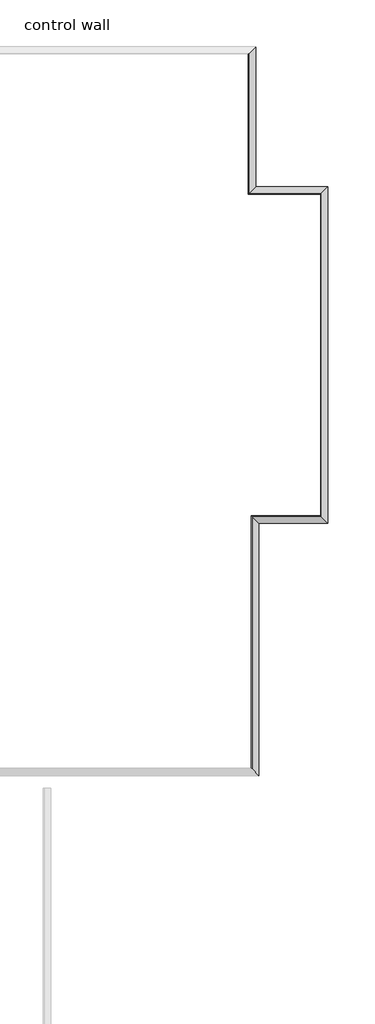
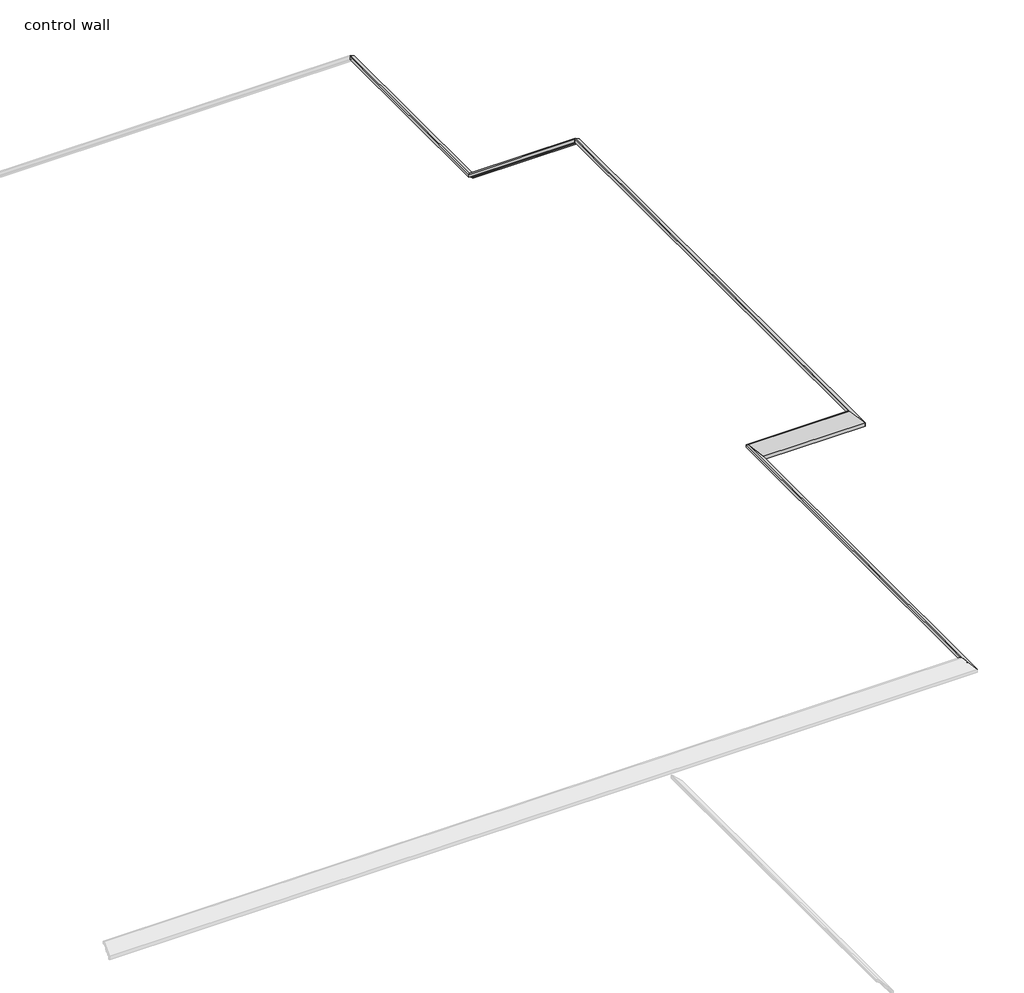
# One storey, part 2 of 2: 5 proxies.
"""IFC4 building model written with IfcOpenShell, lengths in millimetres."""

from ifc_helpers import new_model, si_unit, frame, origin, place, context, project, spatial, polyline, ellipse_curve, element, save
from ifc_brep_helpers import plane_surface, cylinder_surface, revolved_surface, advanced_brep

model = new_model("IFC4")

# Units and contexts
model_context = context("Model", 3, world=origin())
ifc_project = project(units=[si_unit("LENGTHUNIT", "METRE", prefix="MILLI")], contexts=[model_context])

# Site, building, storey
site = spatial("IfcSite", under=ifc_project)
building = spatial("IfcBuilding", under=site)
storey = spatial("IfcBuildingStorey", under=building, Name="control wall", Elevation=2133.6)

# Proxies
placement = place(None, origin())
element("IfcBuildingElementProxy", 1, Name="Wall Sweeps", at=placement, inside=storey, context=model_context, shape_type="AdvancedBrep", body=[
    advanced_brep(
    [(34053.8440304, -15988.7322865, 2982.9793892), (33988.8234196, -16053.7528973, 3048.0), (33980.7207216, -16061.8555953, 3048.0), (33980.7207216, -16061.8555953, 3028.95), (33990.3440304, -16052.2322865, 3028.95), (34010.8687103, -16031.7076066, 3008.4253202), (34031.3933901, -16011.1829268, 2987.9006403), (34031.3933901, -16011.1829268, 2981.5506403), (34044.8637743, -15997.7125426, 2968.0802561), (34044.8637743, -15997.7125426, 2959.1), (34053.8440304, -15988.7322865, 2959.1), (33339.4690304, -15988.7322865, 2982.9793892), (33339.4690304, -15988.7322865, 2959.1), (33330.4887743, -15997.7125426, 2959.1), (33330.4887743, -15997.7125426, 2968.0802561), (33317.0183901, -16011.1829268, 2981.5506403), (33317.0183901, -16011.1829268, 2987.9006403), (33296.4937103, -16031.7076066, 3008.4253202), (33275.9690304, -16052.2322865, 3028.95), (33266.3457216, -16061.8555953, 3028.95), (33266.3457216, -16061.8555953, 3048.0), (33274.4484196, -16053.7528973, 3048.0)],
    [
        (0, 1),
        (1, 2),
        (2, 3),
        (3, 4),
        (4, 5, ellipse_curve(frame((33990.3440304, -16052.2322865, 3008.4253202), z_axis=(-0.707106781186544, 0.7071067811865511, 0.0), x_axis=(-0.707106781186551, -0.707106781186544, 0.0)), 29.0262806, 20.5246798)),
        (5, 6, ellipse_curve(frame((34031.3933901, -16011.1829268, 3008.4253202), z_axis=(0.707106781186544, -0.7071067811865511, 0.0), x_axis=(0.707106781186551, 0.707106781186544, 0.0)), 29.0262806, 20.5246798)),
        (6, 7),
        (7, 8, ellipse_curve(frame((34031.3933901, -16011.1829268, 2968.0802561), z_axis=(-0.707106781186544, 0.7071067811865511, 0.0), x_axis=(-0.707106781186551, -0.707106781186544, 0.0)), 19.05, 13.4703842)),
        (8, 9),
        (9, 10),
        (10, 0),
        (11, 12),
        (12, 13),
        (13, 14),
        (14, 15, ellipse_curve(frame((33317.0183901, -16011.1829268, 2968.0802561), z_axis=(0.707106781186544, -0.7071067811865511, 0.0), x_axis=(-0.707106781186551, -0.707106781186544, 0.0)), 19.05, 13.4703842)),
        (15, 16),
        (16, 17, ellipse_curve(frame((33317.0183901, -16011.1829268, 3008.4253202), z_axis=(-0.707106781186544, 0.7071067811865511, 0.0), x_axis=(0.707106781186551, 0.707106781186544, 0.0)), 29.0262806, 20.5246798)),
        (17, 18, ellipse_curve(frame((33275.9690304, -16052.2322865, 3008.4253202), z_axis=(0.707106781186544, -0.7071067811865511, 0.0), x_axis=(-0.707106781186551, -0.707106781186544, 0.0)), 29.0262806, 20.5246798)),
        (18, 19),
        (19, 20),
        (20, 21),
        (21, 11),
        (0, 11),
        (21, 1),
        (20, 2),
        (19, 3),
        (18, 4),
        (17, 5),
        (16, 6),
        (15, 7),
        (14, 8),
        (13, 9),
        (12, 10),
    ],
    [
        plane_surface(frame((34053.8440304, -15988.7322865, 2654.3), z_axis=(0.707106781186544, -0.7071067811865511, 0.0), x_axis=(-0.7071067811865511, -0.707106781186544, 0.0))),
        plane_surface(frame((33339.4690304, -15988.7322865, 3263.9), z_axis=(-0.707106781186544, 0.7071067811865511, 0.0), x_axis=(0.7071067811865511, 0.707106781186544, 0.0))),
        plane_surface(frame((34053.8440304, -15988.7322865, 2982.9793892), z_axis=(0.0, 0.707106781186547, 0.707106781186548), x_axis=(-1.0, 0.0, 0.0))),
        plane_surface(frame((33988.8234196, -16053.7528973, 3048.0), z_axis=(0.0, 0.0, 1.0), x_axis=(-1.0, 0.0, 0.0))),
        plane_surface(frame((33980.7207216, -16061.8555953, 3048.0), z_axis=(0.0, -1.0, 0.0), x_axis=(-1.0, 0.0, 0.0))),
        plane_surface(frame((33980.7207216, -16061.8555953, 3028.95), z_axis=(0.0, 0.0, -1.0), x_axis=(-1.0, 0.0, 0.0))),
        revolved_surface(polyline([(33255.44435055512, -16072.756966300001, 3008.4253202), (34010.8687103, -16072.756966300001, 3008.4253202)]), (34053.8440304, -16052.2322865, 3008.4253202), (-1.0, 0.0, 0.0)),
        cylinder_surface(frame((34053.8440304, -16011.1829268, 3008.4253202), z_axis=(1.0, 0.0, 0.0), x_axis=(0.0, -1.0, 0.0)), 20.5246798),
        plane_surface(frame((34031.3933901, -16011.1829268, 2987.9006403), z_axis=(0.0, -1.0, 0.0), x_axis=(-1.0, 0.0, 0.0))),
        revolved_surface(polyline([(33303.5480059184, -16024.653311, 2968.0802561), (34044.8637743, -16024.653311, 2968.0802561)]), (34053.8440304, -16011.1829268, 2968.0802561), (-1.0, 0.0, 0.0)),
        plane_surface(frame((34044.8637743, -15997.7125426, 2968.0802561), z_axis=(0.0, -1.0, 0.0), x_axis=(-1.0, 0.0, 0.0))),
        plane_surface(frame((34044.8637743, -15997.7125426, 2959.1), z_axis=(0.0, 0.0, -1.0), x_axis=(-1.0, 0.0, 0.0))),
        plane_surface(frame((34053.8440304, -15988.7322865, 2959.1), z_axis=(0.0, 1.0, 0.0), x_axis=(-1.0, 0.0, 0.0))),
    ],
    [
        (0, [[1, 2, 3, 4, 5, 6, 7, 8, 9, 10, 11]]),
        (1, [[12, 13, 14, 15, 16, 17, 18, 19, 20, 21, 22]]),
        (2, [[-1, 23, -22, 24]]),
        (3, [[-2, -24, -21, 25]]),
        (4, [[-3, -25, -20, 26]]),
        (5, [[-4, -26, -19, 27]]),
        (6, [[-5, -27, -18, 28]]),
        (7, [[-6, -28, -17, 29]]),
        (8, [[-7, -29, -16, 30]]),
        (9, [[-8, -30, -15, 31]]),
        (10, [[-9, -31, -14, 32]]),
        (11, [[-10, -32, -13, 33]]),
        (12, [[-11, -33, -12, -23]]),
    ],
),
])
element("IfcBuildingElementProxy", 2, Name="Wall Sweeps", at=placement, inside=storey, context=model_context, shape_type="AdvancedBrep", body=[
    advanced_brep(
    [(33339.4690304, -15988.7322865, 2982.9793892), (33274.4484196, -16053.7528973, 3048.0), (33266.3457216, -16061.8555953, 3048.0), (33266.3457216, -16061.8555953, 3028.95), (33275.9690304, -16052.2322865, 3028.95), (33296.4937103, -16031.7076066, 3008.4253202), (33317.0183901, -16011.1829268, 2987.9006403), (33317.0183901, -16011.1829268, 2981.5506403), (33330.4887743, -15997.7125426, 2968.0802561), (33330.4887743, -15997.7125426, 2959.1), (33339.4690304, -15988.7322865, 2959.1), (33339.4690304, -14600.4635365, 2982.9793892), (33339.4690304, -14600.4635365, 2959.1), (33330.4887743, -14609.4437926, 2959.1), (33330.4887743, -14609.4437926, 2968.0802561), (33317.0183901, -14622.9141768, 2981.5506403), (33317.0183901, -14622.9141768, 2987.9006403), (33296.4937103, -14643.4388566, 3008.4253202), (33275.9690304, -14663.9635365, 3028.95), (33266.3457216, -14673.5868453, 3028.95), (33266.3457216, -14673.5868453, 3048.0), (33274.4484196, -14665.4841473, 3048.0)],
    [
        (0, 1),
        (1, 2),
        (2, 3),
        (3, 4),
        (4, 5, ellipse_curve(frame((33275.9690304, -16052.2322865, 3008.4253202), z_axis=(-0.707106781186544, 0.7071067811865511, 0.0), x_axis=(0.7071067811865511, 0.7071067811865439, 0.0)), 29.0262806, 20.5246798)),
        (5, 6, ellipse_curve(frame((33317.0183901, -16011.1829268, 3008.4253202), z_axis=(0.707106781186544, -0.7071067811865511, 0.0), x_axis=(-0.7071067811865511, -0.7071067811865439, 0.0)), 29.0262806, 20.5246798)),
        (6, 7),
        (7, 8, ellipse_curve(frame((33317.0183901, -16011.1829268, 2968.0802561), z_axis=(-0.707106781186544, 0.7071067811865511, 0.0), x_axis=(0.7071067811865511, 0.7071067811865439, 0.0)), 19.05, 13.4703842)),
        (8, 9),
        (9, 10),
        (10, 0),
        (11, 12),
        (12, 13),
        (13, 14),
        (14, 15, ellipse_curve(frame((33317.0183901, -14622.9141768, 2968.0802561), z_axis=(0.707106781186544, -0.7071067811865511, 0.0), x_axis=(0.7071067811865511, 0.7071067811865439, 0.0)), 19.05, 13.4703842)),
        (15, 16),
        (16, 17, ellipse_curve(frame((33317.0183901, -14622.9141768, 3008.4253202), z_axis=(-0.707106781186544, 0.7071067811865511, 0.0), x_axis=(-0.7071067811865511, -0.7071067811865439, 0.0)), 29.0262806, 20.5246798)),
        (17, 18, ellipse_curve(frame((33275.9690304, -14663.9635365, 3008.4253202), z_axis=(0.707106781186544, -0.7071067811865511, 0.0), x_axis=(0.7071067811865511, 0.7071067811865439, 0.0)), 29.0262806, 20.5246798)),
        (18, 19),
        (19, 20),
        (20, 21),
        (21, 11),
        (0, 11),
        (21, 1),
        (20, 2),
        (19, 3),
        (18, 4),
        (17, 5),
        (16, 6),
        (15, 7),
        (14, 8),
        (13, 9),
        (12, 10),
    ],
    [
        plane_surface(frame((33339.4690304, -15988.7322865, 3263.9), z_axis=(0.707106781186544, -0.7071067811865511, 0.0), x_axis=(0.7071067811865511, 0.707106781186544, 0.0))),
        plane_surface(frame((33339.4690304, -14600.4635365, 2654.3), z_axis=(-0.707106781186544, 0.7071067811865511, 0.0), x_axis=(-0.7071067811865511, -0.707106781186544, 0.0))),
        plane_surface(frame((33339.4690304, -15988.7322865, 2982.9793892), z_axis=(0.707106781186547, 0.0, 0.707106781186548), x_axis=(0.0, 1.0, 0.0))),
        plane_surface(frame((33274.4484196, -16053.7528973, 3048.0), z_axis=(0.0, 0.0, 1.0), x_axis=(0.0, 1.0, 0.0))),
        plane_surface(frame((33266.3457216, -16061.8555953, 3048.0), z_axis=(-1.0, 0.0, 0.0), x_axis=(0.0, 1.0, 0.0))),
        plane_surface(frame((33266.3457216, -16061.8555953, 3028.95), z_axis=(0.0, 0.0, -1.0), x_axis=(0.0, 1.0, 0.0))),
        revolved_surface(polyline([(33255.4443506, -14643.4388566, 3008.4253202), (33255.4443506, -16072.756966344885, 3008.4253202)]), (33275.9690304, -15988.7322865, 3008.4253202), (0.0, 1.0, 0.0)),
        cylinder_surface(frame((33317.0183901, -15988.7322865, 3008.4253202), z_axis=(0.0, -1.0, 0.0), x_axis=(-1.0, 0.0, 0.0)), 20.5246798),
        plane_surface(frame((33317.0183901, -16011.1829268, 2987.9006403), z_axis=(-1.0, 0.0, 0.0), x_axis=(0.0, 1.0, 0.0))),
        revolved_surface(polyline([(33303.5480059, -14609.4437926, 2968.0802561), (33303.5480059, -16024.653310981605, 2968.0802561)]), (33317.0183901, -15988.7322865, 2968.0802561), (0.0, 1.0, 0.0)),
        plane_surface(frame((33330.4887743, -15997.7125426, 2968.0802561), z_axis=(-1.0, 0.0, 0.0), x_axis=(0.0, 1.0, 0.0))),
        plane_surface(frame((33330.4887743, -15997.7125426, 2959.1), z_axis=(0.0, 0.0, -1.0), x_axis=(0.0, 1.0, 0.0))),
        plane_surface(frame((33339.4690304, -15988.7322865, 2959.1), z_axis=(1.0, 0.0, 0.0), x_axis=(0.0, 1.0, 0.0))),
    ],
    [
        (0, [[1, 2, 3, 4, 5, 6, 7, 8, 9, 10, 11]]),
        (1, [[12, 13, 14, 15, 16, 17, 18, 19, 20, 21, 22]]),
        (2, [[-1, 23, -22, 24]]),
        (3, [[-2, -24, -21, 25]]),
        (4, [[-3, -25, -20, 26]]),
        (5, [[-4, -26, -19, 27]]),
        (6, [[-5, -27, -18, 28]]),
        (7, [[-6, -28, -17, 29]]),
        (8, [[-7, -29, -16, 30]]),
        (9, [[-8, -30, -15, 31]]),
        (10, [[-9, -31, -14, 32]]),
        (11, [[-10, -32, -13, 33]]),
        (12, [[-11, -33, -12, -23]]),
    ],
),
])
element("IfcBuildingElementProxy", 3, Name="Wall Sweeps", at=placement, inside=storey, context=model_context, shape_type="AdvancedBrep", body=[
    advanced_brep(
    [(34053.8440304, -19322.4822865, 2982.9793892), (33988.8234196, -19257.4616756, 3048.0), (33980.7207216, -19249.3589777, 3048.0), (33980.7207216, -19249.3589777, 3028.95), (33990.3440304, -19258.9822865, 3028.95), (34010.8687103, -19279.5069663, 3008.4253202), (34031.3933901, -19300.0316461, 2987.9006403), (34031.3933901, -19300.0316461, 2981.5506403), (34044.8637743, -19313.5020303, 2968.0802561), (34044.8637743, -19313.5020303, 2959.1), (34053.8440304, -19322.4822865, 2959.1), (34053.8440304, -15988.7322865, 2982.9793892), (34053.8440304, -15988.7322865, 2959.1), (34044.8637743, -15997.7125426, 2959.1), (34044.8637743, -15997.7125426, 2968.0802561), (34031.3933901, -16011.1829268, 2981.5506403), (34031.3933901, -16011.1829268, 2987.9006403), (34010.8687103, -16031.7076066, 3008.4253202), (33990.3440304, -16052.2322865, 3028.95), (33980.7207216, -16061.8555953, 3028.95), (33980.7207216, -16061.8555953, 3048.0), (33988.8234196, -16053.7528973, 3048.0)],
    [
        (0, 1),
        (1, 2),
        (2, 3),
        (3, 4),
        (4, 5, ellipse_curve(frame((33990.3440304, -19258.9822865, 3008.4253202), z_axis=(0.7071067811865547, 0.7071067811865405, 0.0), x_axis=(-0.7071067811865406, 0.7071067811865546, 0.0)), 29.0262806, 20.5246798)),
        (5, 6, ellipse_curve(frame((34031.3933901, -19300.0316461, 3008.4253202), z_axis=(-0.7071067811865547, -0.7071067811865405, 0.0), x_axis=(0.7071067811865406, -0.7071067811865546, 0.0)), 29.0262806, 20.5246798)),
        (6, 7),
        (7, 8, ellipse_curve(frame((34031.3933901, -19300.0316461, 2968.0802561), z_axis=(0.7071067811865547, 0.7071067811865405, 0.0), x_axis=(-0.7071067811865406, 0.7071067811865546, 0.0)), 19.05, 13.4703842)),
        (8, 9),
        (9, 10),
        (10, 0),
        (11, 12),
        (12, 13),
        (13, 14),
        (14, 15, ellipse_curve(frame((34031.3933901, -16011.1829268, 2968.0802561), z_axis=(0.707106781186544, -0.7071067811865511, 0.0), x_axis=(0.7071067811865511, 0.7071067811865438, 0.0)), 19.05, 13.4703842)),
        (15, 16),
        (16, 17, ellipse_curve(frame((34031.3933901, -16011.1829268, 3008.4253202), z_axis=(-0.707106781186544, 0.7071067811865511, 0.0), x_axis=(-0.7071067811865511, -0.7071067811865438, 0.0)), 29.0262806, 20.5246798)),
        (17, 18, ellipse_curve(frame((33990.3440304, -16052.2322865, 3008.4253202), z_axis=(0.707106781186544, -0.7071067811865511, 0.0), x_axis=(0.7071067811865511, 0.7071067811865438, 0.0)), 29.0262806, 20.5246798)),
        (18, 19),
        (19, 20),
        (20, 21),
        (21, 11),
        (0, 11),
        (21, 1),
        (20, 2),
        (19, 3),
        (18, 4),
        (17, 5),
        (16, 6),
        (15, 7),
        (14, 8),
        (13, 9),
        (12, 10),
    ],
    [
        plane_surface(frame((34053.8440304, -19322.4822865, 2654.3), z_axis=(-0.7071067811865547, -0.7071067811865405, 0.0), x_axis=(-0.7071067811865405, 0.7071067811865547, 0.0))),
        plane_surface(frame((34053.8440304, -15988.7322865, 2654.3), z_axis=(-0.707106781186544, 0.7071067811865511, 0.0), x_axis=(-0.7071067811865511, -0.707106781186544, 0.0))),
        plane_surface(frame((34053.8440304, -19322.4822865, 2982.9793892), z_axis=(0.707106781186547, 0.0, 0.707106781186548), x_axis=(0.0, 1.0, 0.0))),
        plane_surface(frame((33988.8234196, -19257.4616756, 3048.0), z_axis=(0.0, 0.0, 1.0), x_axis=(0.0, 1.0, 0.0))),
        plane_surface(frame((33980.7207216, -19249.3589777, 3048.0), z_axis=(-1.0, 0.0, 0.0), x_axis=(0.0, 1.0, 0.0))),
        plane_surface(frame((33980.7207216, -19249.3589777, 3028.95), z_axis=(0.0, 0.0, -1.0), x_axis=(0.0, 1.0, 0.0))),
        revolved_surface(polyline([(33969.8193506, -16031.7076066, 3008.4253202), (33969.8193506, -19279.50696634488, 3008.4253202)]), (33990.3440304, -19322.4822865, 3008.4253202), (0.0, 1.0, 0.0)),
        cylinder_surface(frame((34031.3933901, -19322.4822865, 3008.4253202), z_axis=(0.0, -1.0, 0.0), x_axis=(-1.0, 0.0, 0.0)), 20.5246798),
        plane_surface(frame((34031.3933901, -19300.0316461, 2987.9006403), z_axis=(-1.0, 0.0, 0.0), x_axis=(0.0, 1.0, 0.0))),
        revolved_surface(polyline([(34017.9230059, -15997.7125426, 2968.0802561), (34017.9230059, -19313.5020303, 2968.0802561)]), (34031.3933901, -19322.4822865, 2968.0802561), (0.0, 1.0, 0.0)),
        plane_surface(frame((34044.8637743, -19313.5020303, 2968.0802561), z_axis=(-1.0, 0.0, 0.0), x_axis=(0.0, 1.0, 0.0))),
        plane_surface(frame((34044.8637743, -19313.5020303, 2959.1), z_axis=(0.0, 0.0, -1.0), x_axis=(0.0, 1.0, 0.0))),
        plane_surface(frame((34053.8440304, -19322.4822865, 2959.1), z_axis=(1.0, 0.0, 0.0), x_axis=(0.0, 1.0, 0.0))),
    ],
    [
        (0, [[1, 2, 3, 4, 5, 6, 7, 8, 9, 10, 11]]),
        (1, [[12, 13, 14, 15, 16, 17, 18, 19, 20, 21, 22]]),
        (2, [[-1, 23, -22, 24]]),
        (3, [[-2, -24, -21, 25]]),
        (4, [[-3, -25, -20, 26]]),
        (5, [[-4, -26, -19, 27]]),
        (6, [[-5, -27, -18, 28]]),
        (7, [[-6, -28, -17, 29]]),
        (8, [[-7, -29, -16, 30]]),
        (9, [[-8, -30, -15, 31]]),
        (10, [[-9, -31, -14, 32]]),
        (11, [[-10, -32, -13, 33]]),
        (12, [[-11, -33, -12, -23]]),
    ],
),
])
element("IfcBuildingElementProxy", 4, Name="Wall Sweeps", at=placement, inside=storey, context=model_context, shape_type="AdvancedBrep", body=[
    advanced_brep(
    [(33368.0440304, -19322.4822865, 2982.9793892), (33303.0234196, -19257.4616756, 3048.0), (33294.9207216, -19249.3589777, 3048.0), (33294.9207216, -19249.3589777, 3028.95), (33304.5440304, -19258.9822865, 3028.95), (33325.0687103, -19279.5069663, 3008.4253202), (33345.5933901, -19300.0316461, 2987.9006403), (33345.5933901, -19300.0316461, 2981.5506403), (33359.0637743, -19313.5020303, 2968.0802561), (33359.0637743, -19313.5020303, 2959.1), (33368.0440304, -19322.4822865, 2959.1), (34053.8440304, -19322.4822865, 2982.9793892), (34053.8440304, -19322.4822865, 2959.1), (34044.8637743, -19313.5020303, 2959.1), (34044.8637743, -19313.5020303, 2968.0802561), (34031.3933901, -19300.0316461, 2981.5506403), (34031.3933901, -19300.0316461, 2987.9006403), (34010.8687103, -19279.5069663, 3008.4253202), (33990.3440304, -19258.9822865, 3028.95), (33980.7207216, -19249.3589777, 3028.95), (33980.7207216, -19249.3589777, 3048.0), (33988.8234196, -19257.4616756, 3048.0)],
    [
        (0, 1),
        (1, 2),
        (2, 3),
        (3, 4),
        (4, 5, ellipse_curve(frame((33304.5440304, -19258.9822865, 3008.4253202), z_axis=(0.7071067811865547, 0.7071067811865405, 0.0), x_axis=(0.7071067811865402, -0.7071067811865547, 0.0)), 29.0262806, 20.5246798)),
        (5, 6, ellipse_curve(frame((33345.5933901, -19300.0316461, 3008.4253202), z_axis=(-0.7071067811865547, -0.7071067811865405, 0.0), x_axis=(-0.7071067811865402, 0.7071067811865547, 0.0)), 29.0262806, 20.5246798)),
        (6, 7),
        (7, 8, ellipse_curve(frame((33345.5933901, -19300.0316461, 2968.0802561), z_axis=(0.7071067811865547, 0.7071067811865405, 0.0), x_axis=(0.7071067811865402, -0.7071067811865547, 0.0)), 19.05, 13.4703842)),
        (8, 9),
        (9, 10),
        (10, 0),
        (11, 12),
        (12, 13),
        (13, 14),
        (14, 15, ellipse_curve(frame((34031.3933901, -19300.0316461, 2968.0802561), z_axis=(-0.7071067811865547, -0.7071067811865405, 0.0), x_axis=(0.7071067811865402, -0.7071067811865547, 0.0)), 19.05, 13.4703842)),
        (15, 16),
        (16, 17, ellipse_curve(frame((34031.3933901, -19300.0316461, 3008.4253202), z_axis=(0.7071067811865547, 0.7071067811865405, 0.0), x_axis=(-0.7071067811865402, 0.7071067811865547, 0.0)), 29.0262806, 20.5246798)),
        (17, 18, ellipse_curve(frame((33990.3440304, -19258.9822865, 3008.4253202), z_axis=(-0.7071067811865547, -0.7071067811865405, 0.0), x_axis=(0.7071067811865402, -0.7071067811865547, 0.0)), 29.0262806, 20.5246798)),
        (18, 19),
        (19, 20),
        (20, 21),
        (21, 11),
        (0, 11),
        (21, 1),
        (20, 2),
        (19, 3),
        (18, 4),
        (17, 5),
        (16, 6),
        (15, 7),
        (14, 8),
        (13, 9),
        (12, 10),
    ],
    [
        plane_surface(frame((33368.0440304, -19322.4822865, 3263.9), z_axis=(-0.7071067811865547, -0.7071067811865405, 0.0), x_axis=(0.7071067811865405, -0.7071067811865547, 0.0))),
        plane_surface(frame((34053.8440304, -19322.4822865, 2654.3), z_axis=(0.7071067811865547, 0.7071067811865405, 0.0), x_axis=(-0.7071067811865405, 0.7071067811865547, 0.0))),
        plane_surface(frame((33368.0440304, -19322.4822865, 2982.9793892), z_axis=(0.0, -0.707106781186547, 0.707106781186548), x_axis=(1.0, 0.0, 0.0))),
        plane_surface(frame((33303.0234196, -19257.4616756, 3048.0), z_axis=(0.0, 0.0, 1.0), x_axis=(1.0, 0.0, 0.0))),
        plane_surface(frame((33294.9207216, -19249.3589777, 3048.0), z_axis=(0.0, 1.0, 0.0), x_axis=(1.0, 0.0, 0.0))),
        plane_surface(frame((33294.9207216, -19249.3589777, 3028.95), z_axis=(0.0, 0.0, -1.0), x_axis=(1.0, 0.0, 0.0))),
        revolved_surface(polyline([(34010.8687103, -19238.457606699998, 3008.4253202), (33284.019350555114, -19238.457606699998, 3008.4253202)]), (33368.0440304, -19258.9822865, 3008.4253202), (1.0, 0.0, 0.0)),
        cylinder_surface(frame((33368.0440304, -19300.0316461, 3008.4253202), z_axis=(-1.0, 0.0, 0.0), x_axis=(0.0, 1.0, 0.0)), 20.5246798),
        plane_surface(frame((33345.5933901, -19300.0316461, 2987.9006403), z_axis=(0.0, 1.0, 0.0), x_axis=(1.0, 0.0, 0.0))),
        revolved_surface(polyline([(34044.8637743, -19286.5612619, 2968.0802561), (33332.1230059184, -19286.5612619, 2968.0802561)]), (33368.0440304, -19300.0316461, 2968.0802561), (1.0, 0.0, 0.0)),
        plane_surface(frame((33359.0637743, -19313.5020303, 2968.0802561), z_axis=(0.0, 1.0, 0.0), x_axis=(1.0, 0.0, 0.0))),
        plane_surface(frame((33359.0637743, -19313.5020303, 2959.1), z_axis=(0.0, 0.0, -1.0), x_axis=(1.0, 0.0, 0.0))),
        plane_surface(frame((33368.0440304, -19322.4822865, 2959.1), z_axis=(0.0, -1.0, 0.0), x_axis=(1.0, 0.0, 0.0))),
    ],
    [
        (0, [[1, 2, 3, 4, 5, 6, 7, 8, 9, 10, 11]]),
        (1, [[12, 13, 14, 15, 16, 17, 18, 19, 20, 21, 22]]),
        (2, [[-1, 23, -22, 24]]),
        (3, [[-2, -24, -21, 25]]),
        (4, [[-3, -25, -20, 26]]),
        (5, [[-4, -26, -19, 27]]),
        (6, [[-5, -27, -18, 28]]),
        (7, [[-6, -28, -17, 29]]),
        (8, [[-7, -29, -16, 30]]),
        (9, [[-8, -30, -15, 31]]),
        (10, [[-9, -31, -14, 32]]),
        (11, [[-10, -32, -13, 33]]),
        (12, [[-11, -33, -12, -23]]),
    ],
),
])
element("IfcBuildingElementProxy", 5, Name="Wall Sweeps", at=placement, inside=storey, context=model_context, shape_type="AdvancedBrep", body=[
    advanced_brep(
    [(33368.0440304, -21820.5091785, 2982.9793892), (33303.0234196, -21755.4885677, 3048.0), (33294.9207216, -21747.3858697, 3048.0), (33294.9207216, -21747.3858697, 3028.95), (33304.5440304, -21757.0091785, 3028.95), (33325.0687103, -21777.5338583, 3008.4253202), (33345.5933901, -21798.0585382, 2987.9006403), (33345.5933901, -21798.0585382, 2981.5506403), (33359.0637743, -21811.5289224, 2968.0802561), (33359.0637743, -21811.5289224, 2959.1), (33368.0440304, -21820.5091785, 2959.1), (33368.0440304, -19322.4822865, 2982.9793892), (33368.0440304, -19322.4822865, 2959.1), (33359.0637743, -19313.5020303, 2959.1), (33359.0637743, -19313.5020303, 2968.0802561), (33345.5933901, -19300.0316461, 2981.5506403), (33345.5933901, -19300.0316461, 2987.9006403), (33325.0687103, -19279.5069663, 3008.4253202), (33304.5440304, -19258.9822865, 3028.95), (33294.9207216, -19249.3589777, 3028.95), (33294.9207216, -19249.3589777, 3048.0), (33303.0234196, -19257.4616756, 3048.0)],
    [
        (0, 1),
        (1, 2),
        (2, 3),
        (3, 4),
        (4, 5, ellipse_curve(frame((33304.5440304, -21757.0091785, 3008.4253202), z_axis=(0.7071067811865547, 0.7071067811865405, 0.0), x_axis=(-0.7071067811865404, 0.7071067811865546, 0.0)), 29.0262806, 20.5246798)),
        (5, 6, ellipse_curve(frame((33345.5933901, -21798.0585382, 3008.4253202), z_axis=(-0.7071067811865547, -0.7071067811865405, 0.0), x_axis=(0.7071067811865404, -0.7071067811865546, 0.0)), 29.0262806, 20.5246798)),
        (6, 7),
        (7, 8, ellipse_curve(frame((33345.5933901, -21798.0585382, 2968.0802561), z_axis=(0.7071067811865547, 0.7071067811865405, 0.0), x_axis=(-0.7071067811865404, 0.7071067811865546, 0.0)), 19.05, 13.4703842)),
        (8, 9),
        (9, 10),
        (10, 0),
        (11, 12),
        (12, 13),
        (13, 14),
        (14, 15, ellipse_curve(frame((33345.5933901, -19300.0316461, 2968.0802561), z_axis=(-0.7071067811865547, -0.7071067811865405, 0.0), x_axis=(-0.7071067811865404, 0.7071067811865546, 0.0)), 19.05, 13.4703842)),
        (15, 16),
        (16, 17, ellipse_curve(frame((33345.5933901, -19300.0316461, 3008.4253202), z_axis=(0.7071067811865547, 0.7071067811865405, 0.0), x_axis=(0.7071067811865404, -0.7071067811865546, 0.0)), 29.0262806, 20.5246798)),
        (17, 18, ellipse_curve(frame((33304.5440304, -19258.9822865, 3008.4253202), z_axis=(-0.7071067811865547, -0.7071067811865405, 0.0), x_axis=(-0.7071067811865404, 0.7071067811865546, 0.0)), 29.0262806, 20.5246798)),
        (18, 19),
        (19, 20),
        (20, 21),
        (21, 11),
        (0, 11),
        (21, 1),
        (20, 2),
        (19, 3),
        (18, 4),
        (17, 5),
        (16, 6),
        (15, 7),
        (14, 8),
        (13, 9),
        (12, 10),
    ],
    [
        plane_surface(frame((33368.0440304, -21820.5091785, 2654.3), z_axis=(-0.7071067811865547, -0.7071067811865405, 0.0), x_axis=(-0.7071067811865405, 0.7071067811865547, 0.0))),
        plane_surface(frame((33368.0440304, -19322.4822865, 3263.9), z_axis=(0.7071067811865547, 0.7071067811865405, 0.0), x_axis=(0.7071067811865405, -0.7071067811865547, 0.0))),
        plane_surface(frame((33368.0440304, -21820.5091785, 2982.9793892), z_axis=(0.707106781186547, 0.0, 0.707106781186548), x_axis=(0.0, 1.0, 0.0))),
        plane_surface(frame((33303.0234196, -21755.4885677, 3048.0), z_axis=(0.0, 0.0, 1.0), x_axis=(0.0, 1.0, 0.0))),
        plane_surface(frame((33294.9207216, -21747.3858697, 3048.0), z_axis=(-1.0, 0.0, 0.0), x_axis=(0.0, 1.0, 0.0))),
        plane_surface(frame((33294.9207216, -21747.3858697, 3028.95), z_axis=(0.0, 0.0, -1.0), x_axis=(0.0, 1.0, 0.0))),
        revolved_surface(polyline([(33284.0193506, -19238.457606655116, 3008.4253202), (33284.0193506, -21777.533858344883, 3008.4253202)]), (33304.5440304, -21820.5091785, 3008.4253202), (0.0, 1.0, 0.0)),
        cylinder_surface(frame((33345.5933901, -21820.5091785, 3008.4253202), z_axis=(0.0, -1.0, 0.0), x_axis=(-1.0, 0.0, 0.0)), 20.5246798),
        plane_surface(frame((33345.5933901, -21798.0585382, 2987.9006403), z_axis=(-1.0, 0.0, 0.0), x_axis=(0.0, 1.0, 0.0))),
        revolved_surface(polyline([(33332.1230059, -19286.561261918396, 2968.0802561), (33332.1230059, -21811.5289224, 2968.0802561)]), (33345.5933901, -21820.5091785, 2968.0802561), (0.0, 1.0, 0.0)),
        plane_surface(frame((33359.0637743, -21811.5289224, 2968.0802561), z_axis=(-1.0, 0.0, 0.0), x_axis=(0.0, 1.0, 0.0))),
        plane_surface(frame((33359.0637743, -21811.5289224, 2959.1), z_axis=(0.0, 0.0, -1.0), x_axis=(0.0, 1.0, 0.0))),
        plane_surface(frame((33368.0440304, -21820.5091785, 2959.1), z_axis=(1.0, 0.0, 0.0), x_axis=(0.0, 1.0, 0.0))),
    ],
    [
        (0, [[1, 2, 3, 4, 5, 6, 7, 8, 9, 10, 11]]),
        (1, [[12, 13, 14, 15, 16, 17, 18, 19, 20, 21, 22]]),
        (2, [[-1, 23, -22, 24]]),
        (3, [[-2, -24, -21, 25]]),
        (4, [[-3, -25, -20, 26]]),
        (5, [[-4, -26, -19, 27]]),
        (6, [[-5, -27, -18, 28]]),
        (7, [[-6, -28, -17, 29]]),
        (8, [[-7, -29, -16, 30]]),
        (9, [[-8, -30, -15, 31]]),
        (10, [[-9, -31, -14, 32]]),
        (11, [[-10, -32, -13, 33]]),
        (12, [[-11, -33, -12, -23]]),
    ],
),
])

save(model, "model.ifc")
